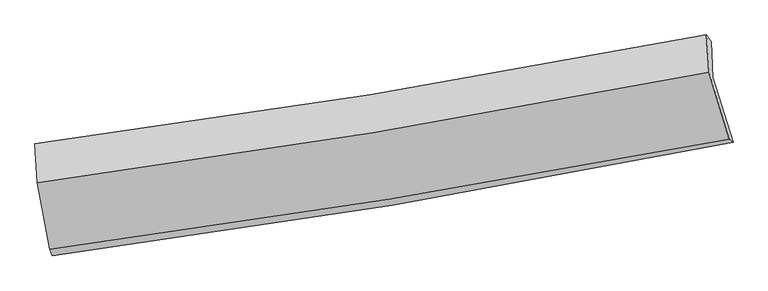
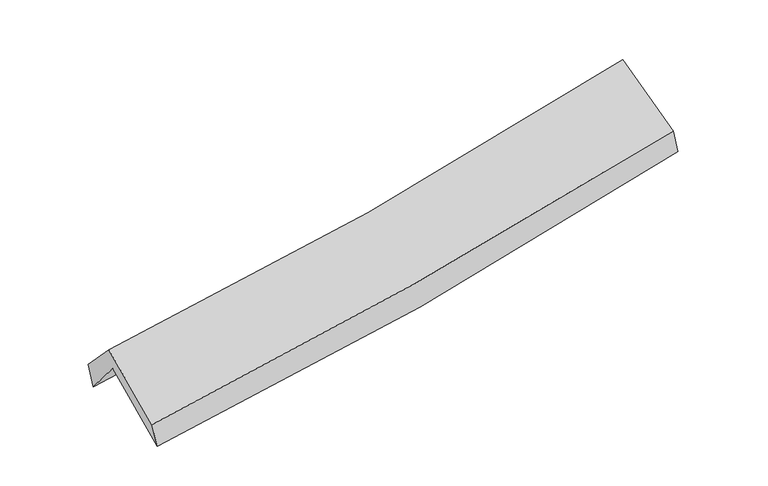
"""IFC4 building model written with IfcOpenShell, lengths in millimetres: proxy geometry."""

from ifc_helpers import new_model, si_unit, frame, origin, place, context, project, spatial, source, transform, mapped, element, save
from ifc_brep_helpers import plane_surface, spline_curve, spline_surface, advanced_brep


def generic_models_2f54ed6d(model_context):
    return source(origin(), model_context, "Body", "AdvancedBrep", [
        advanced_brep(
        [(-2401.9962196, -2488.2908933, 1483.2360474), (-2496.4839929, -1984.1580625, 1923.009268), (2434.5728387, -1180.8445485, 2365.7146344), (2583.7631767, -1657.3624577, 1933.973653), (-2509.4062234, -1717.1647244, 1597.9188027), (2422.4829099, -920.7580381, 2051.0187317), (-2527.8043649, -1669.5377674, 1781.8476912), (2388.6278108, -871.0737947, 2241.2788762), (-2510.9844612, -1951.8238574, 2078.0930428), (2406.8630187, -1143.1601229, 2526.1464842), (-2419.7994482, -2439.8638003, 1656.6654898), (2556.3837121, -1636.5284234, 2118.3887438)],
        [
            (0, 1),
            (1, 2, spline_curve(3, [(-2496.4839929, -1984.1580625, 1923.009268), (-1672.583443775, -1874.385130211, 1964.216506234), (-851.940600036, -1752.985803629, 2021.422573343), (791.817042963, -1485.47170823, 2168.63727173), (1614.85980977, -1339.099863722, 2258.999660375), (2434.5728387, -1180.8445485, 2365.7146344)], [4, 2, 4], [0.0, 8.233752272217707, 16.558036837912688])),
            (2, 3),
            (3, 0, spline_curve(3, [(2583.7631767, -1657.3624577, 1933.973653), (1756.330324191, -1826.344661613, 1829.456008463), (924.840218054, -1980.377102187, 1739.509584885), (-737.167351501, -2257.029838078, 1589.578936844), (-1567.597044321, -2379.973542401, 1529.279491736), (-2401.9962196, -2488.2908933, 1483.2360474)], [4, 2, 4], [0.0, 8.324284565694981, 16.558036837912688])),
            (1, 4),
            (4, 5, spline_curve(3, [(-2509.4062234, -1717.1647244, 1597.9188027), (-1685.887845483, -1605.743671457, 1641.755096626), (-865.368530186, -1484.085071003, 1701.139645783), (778.660827936, -1218.842542415, 1851.829161512), (1602.104556856, -1075.032247207, 1943.477921736), (2422.4829099, -920.7580381, 2051.0187317)], [4, 2, 4], [0.0, 8.185963477195463, 16.46193379737214])),
            (5, 2),
            (4, 6),
            (6, 7, spline_curve(3, [(-2527.8043649, -1669.5377674, 1781.8476912), (-1706.366390131, -1561.215987572, 1827.551887081), (-888.166996545, -1440.945925712, 1888.397344862), (750.715338163, -1175.05546147, 2041.206278105), (1571.326670093, -1029.170865985, 2133.504548786), (2388.6278108, -871.0737947, 2241.2788762)], [4, 2, 4], [0.0, 8.17476939850109, 16.43942255811451])),
            (7, 5),
            (6, 8),
            (8, 9, spline_curve(3, [(-2510.9844612, -1951.8238574, 2078.0930428), (-1689.176993055, -1843.006360455, 2122.737373826), (-870.675187002, -1721.646373739, 2182.112196323), (768.680399157, -1452.369128165, 2331.137631085), (1589.461086512, -1304.174536414, 2421.113956039), (2406.8630187, -1143.1601229, 2526.1464842)], [4, 2, 4], [0.0, 8.16484850758636, 16.41947169345402])),
            (9, 7),
            (8, 10),
            (10, 11, spline_curve(3, [(-2419.7994482, -2439.8638003, 1656.6654898), (-1589.229661635, -2329.057699484, 1712.672400514), (-761.514449236, -2207.13716189, 1778.886303953), (897.276389676, -1939.604459232, 1932.5683641), (1728.288897083, -1793.746537523, 2020.262212046), (2556.3837121, -1636.5284234, 2118.3887438)], [4, 2, 4], [0.0, 8.212989213596748, 16.516282425325656])),
            (11, 9),
            (10, 0),
            (3, 11),
        ],
        [
            spline_surface(3, 3, [[(-2401.9962196, -2488.2908933, 1483.2360474), (-1567.597044272, -2379.973542466, 1529.279491853), (-737.167351576, -2257.02983796, 1589.578936854), (924.840218129, -1980.377102306, 1739.509584875), (1756.330324175, -1826.344661626, 1829.456008396), (2583.7631767, -1657.3624577, 1933.973653)], [(-2433.492144024, -2320.246616355, 1629.827120924), (-1602.592510765, -2211.444071701, 1674.258496656), (-775.42510109, -2089.01515981, 1733.526815643), (880.499159727, -1815.408637657, 1882.552147166), (1709.173486041, -1663.929728989, 1972.637225675), (2534.033064019, -1498.523154637, 2077.887313446)], [(-2464.988068476, -2152.202339445, 1776.418194476), (-1637.587977285, -2042.914600971, 1819.237501486), (-813.682850542, -1921.000481656, 1877.474694485), (836.158101386, -1650.440173003, 2025.594709509), (1662.01664795, -1501.51479634, 2115.818443014), (2484.302951381, -1339.683851563, 2221.800973954)], [(-2496.4839929, -1984.1580625, 1923.009268), (-1672.583443779, -1874.385130206, 1964.216506289), (-851.940600056, -1752.985803507, 2021.422573274), (791.817042984, -1485.471708354, 2168.6372718), (1614.859809816, -1339.099863703, 2258.999660293), (2434.5728387, -1180.8445485, 2365.7146344)]], [4, 4], [4, 2, 4], [0.0, 2.2011124045087818], [0.0, 8.233752272217707, 16.558036837912688]),
            spline_surface(3, 3, [[(-2496.4839929, -1984.1580625, 1923.009268), (-1672.583443779, -1874.385130206, 1964.216506289), (-851.940600056, -1752.985803507, 2021.422573274), (791.817042984, -1485.471708354, 2168.6372718), (1614.859809816, -1339.099863703, 2258.999660293), (2434.5728387, -1180.8445485, 2365.7146344)], [(-2500.791403081, -1895.160283136, 1814.645779563), (-1677.018244359, -1784.837977287, 1856.729369712), (-856.416576726, -1663.352226024, 1914.661597479), (787.431637959, -1396.595319712, 2063.034568352), (1610.608058849, -1251.07732493, 2153.82574747), (2430.54286242, -1094.149045049, 2260.816000186)], [(-2505.098813219, -1806.162503764, 1706.282291137), (-1681.453044896, -1695.29082436, 1749.242233145), (-860.892553444, -1573.718648506, 1807.900621659), (783.046232887, -1307.718931036, 1957.431864878), (1606.356307921, -1163.054786109, 2048.65183459), (2426.51288618, -1007.453541551, 2155.917365914)], [(-2509.4062234, -1717.1647244, 1597.9188027), (-1685.887845476, -1605.743671441, 1641.755096569), (-865.368530114, -1484.085071024, 1701.139645864), (778.660827863, -1218.842542395, 1851.82916143), (1602.104556954, -1075.032247336, 1943.477921768), (2422.4829099, -920.7580381, 2051.0187317)]], [4, 4], [4, 2, 4], [0.0, 1.3658982419614785], [0.0, 8.185963477195463, 16.46193379737214]),
            spline_surface(3, 3, [[(-2509.4062234, -1717.1647244, 1597.9188027), (-1685.887845476, -1605.743671441, 1641.755096569), (-865.368530114, -1484.085071024, 1701.139645864), (778.660827863, -1218.842542395, 1851.82916143), (1602.104556954, -1075.032247336, 1943.477921768), (2422.4829099, -920.7580381, 2051.0187317)], [(-2515.53893723, -1701.289072094, 1659.228432195), (-1692.714027016, -1590.901110171, 1703.687360061), (-872.968018955, -1469.705355876, 1763.558878836), (769.345664661, -1204.246848787, 1914.954867019), (1591.845261325, -1059.745120216, 2006.820130759), (2411.197876887, -904.196623626, 2114.43877984)], [(-2521.67165107, -1685.413419706, 1720.538061705), (-1699.540208567, -1576.058548818, 1765.619623566), (-880.567507797, -1455.325640745, 1825.978111803), (760.030501459, -1189.651155195, 1978.080572604), (1581.585965636, -1044.457993117, 2070.162339831), (2399.912843813, -887.635209174, 2177.85882806)], [(-2527.8043649, -1669.5377674, 1781.8476912), (-1706.366390108, -1561.215987548, 1827.551887059), (-888.166996638, -1440.945925597, 1888.397344775), (750.715338257, -1175.055461587, 2041.206278193), (1571.326670007, -1029.170865997, 2133.504548822), (2388.6278108, -871.0737947, 2241.2788762)]], [4, 4], [4, 2, 4], [0.0, 0.6395730219035726], [0.0, 8.17476939850109, 16.43942255811451]),
            spline_surface(3, 3, [[(-2527.8043649, -1669.5377674, 1781.8476912), (-1706.366390108, -1561.215987548, 1827.551887059), (-888.166996638, -1440.945925597, 1888.397344775), (750.715338257, -1175.055461587, 2041.206278193), (1571.326670007, -1029.170865997, 2133.504548822), (2388.6278108, -871.0737947, 2241.2788762)], [(-2522.197730343, -1763.63313072, 1880.596141744), (-1700.636591096, -1655.146111848, 1925.947049325), (-882.336393419, -1534.512741693, 1986.302295243), (756.703691912, -1267.493350412, 2137.850062505), (1577.371475474, -1120.838756164, 2229.374351201), (2394.706213415, -961.769237431, 2336.234745552)], [(-2516.591095757, -1857.72849408, 1979.344592256), (-1694.906792058, -1749.076236187, 2024.342211559), (-876.505790243, -1628.079557767, 2084.207245762), (762.692045524, -1359.931239215, 2234.493846868), (1583.416280996, -1212.506646336, 2325.244153524), (2400.784616085, -1052.464680169, 2431.190614848)], [(-2510.9844612, -1951.8238574, 2078.0930428), (-1689.176993046, -1843.006360487, 2122.737373825), (-870.675187024, -1721.646373863, 2182.11219623), (768.680399179, -1452.369128041, 2331.13763118), (1589.461086462, -1304.174536503, 2421.113955904), (2406.8630187, -1143.1601229, 2526.1464842)]], [4, 4], [4, 2, 4], [0.0, 1.3257905773107468], [0.0, 8.16484850758636, 16.41947169345402]),
            spline_surface(3, 3, [[(-2510.9844612, -1951.8238574, 2078.0930428), (-1689.176993046, -1843.006360487, 2122.737373825), (-870.675187024, -1721.646373863, 2182.11219623), (768.680399179, -1452.369128041, 2331.13763118), (1589.461086462, -1304.174536503, 2421.113955904), (2406.8630187, -1143.1601229, 2526.1464842)], [(-2480.589456869, -2114.50383835, 1937.617191812), (-1655.86121593, -2005.02347347, 1986.049049399), (-834.288274437, -1883.476636571, 2047.703565481), (811.545729303, -1614.780905062, 2198.281208833), (1635.737023387, -1467.365203541, 2287.496707944), (2456.703249843, -1307.616223079, 2390.227237406)], [(-2450.194452531, -2277.18381935, 1797.141340788), (-1622.545438805, -2167.040586503, 1849.360724937), (-797.901361775, -2045.306899294, 1913.294934698), (854.411059503, -1777.192682097, 2065.42478645), (1682.012960283, -1630.555870542, 2153.879459967), (2506.543480957, -1472.072323221, 2254.307990594)], [(-2419.7994482, -2439.8638003, 1656.6654898), (-1589.229661688, -2329.057699485, 1712.672400511), (-761.514449188, -2207.137162003, 1778.886303949), (897.276389627, -1939.604459118, 1932.568364104), (1728.288897208, -1793.74653758, 2020.262212007), (2556.3837121, -1636.5284234, 2118.3887438)]], [4, 4], [4, 2, 4], [0.0, 2.1043834096698264], [0.0, 8.212989213596748, 16.516282425325656]),
            spline_surface(3, 3, [[(-2419.7994482, -2439.8638003, 1656.6654898), (-1589.229661688, -2329.057699485, 1712.672400511), (-761.514449188, -2207.137162003, 1778.886303949), (897.276389627, -1939.604459118, 1932.568364104), (1728.288897208, -1793.74653758, 2020.262212007), (2556.3837121, -1636.5284234, 2118.3887438)], [(-2413.865038653, -2456.006164644, 1598.855675661), (-1582.018789202, -2346.029647156, 1651.541430952), (-753.398749968, -2223.768053978, 1715.783848263), (906.464332477, -1953.19534017, 1868.215437707), (1737.636039547, -1804.612578906, 1956.66014414), (2565.510200316, -1643.473101477, 2056.91704687)], [(-2407.930629147, -2472.148528956, 1541.045861539), (-1574.807916757, -2363.001594794, 1590.410461411), (-745.283050795, -2240.398945984, 1652.68139254), (915.65227528, -1966.786221254, 1803.862511272), (1746.983181836, -1815.4786203, 1893.058076263), (2574.636688484, -1650.417779623, 1995.44534993)], [(-2401.9962196, -2488.2908933, 1483.2360474), (-1567.597044272, -2379.973542466, 1529.279491853), (-737.167351576, -2257.02983796, 1589.578936854), (924.840218129, -1980.377102306, 1739.509584875), (1756.330324175, -1826.344661626, 1829.456008396), (2583.7631767, -1657.3624577, 1933.973653)]], [4, 4], [4, 2, 4], [0.0, 0.650266829313095], [0.0, 8.270693096728644, 16.632324661113156]),
            plane_surface(frame((2465.4489112, -1234.9545642, 2206.0868539), z_axis=(0.9733782712838929, 0.19363511827084348, 0.12263841961072791), x_axis=(0.2274792513642427, -0.7506054786121185, -0.6203584493470178))),
            plane_surface(frame((-2477.745785, -2041.8065175, 1753.4617237), z_axis=(-0.9895807922443262, -0.12804830609251977, -0.06582922548479872), x_axis=(-0.09839205474976086, 0.2676391617130008, 0.958482280837618))),
        ],
        [
            (0, [[1, 2, 3, 4]]),
            (1, [[5, 6, 7, -2]]),
            (2, [[8, 9, 10, -6]]),
            (3, [[11, 12, 13, -9]]),
            (4, [[14, 15, 16, -12]]),
            (5, [[17, -4, 18, -15]]),
            (6, [[-16, -18, -3, -7, -10, -13]]),
            (7, [[-17, -14, -11, -8, -5, -1]]),
        ],
    ),
    ])


if __name__ == "__main__":
    model = new_model("IFC4")
    model_context = context("Model", 3, world=origin())
    ifc_project = project(units=[si_unit("LENGTHUNIT", "METRE", prefix="MILLI")], contexts=[model_context])
    site = spatial("IfcSite", under=ifc_project)
    building = spatial("IfcBuilding", under=site)
    placement = place(None, origin())
    generic_models_shape = generic_models_2f54ed6d(model_context)
    element("IfcBuildingElementProxy", 1, Name="Generic Models", at=placement, inside=building, context=model_context, shape_type="MappedRepresentation", body=[
        mapped(generic_models_shape, transform((0.0, 0.0, 0.0), x_axis=(1.0, 0.0, 0.0), y_axis=(0.0, 1.0, 0.0), z_axis=(0.0, 0.0, 1.0))),
    ])
    save(model, "model.ifc")
